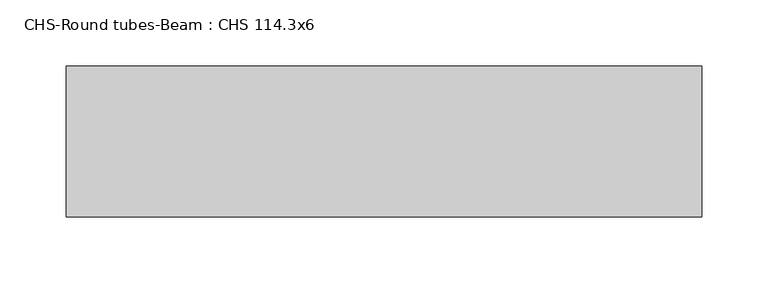
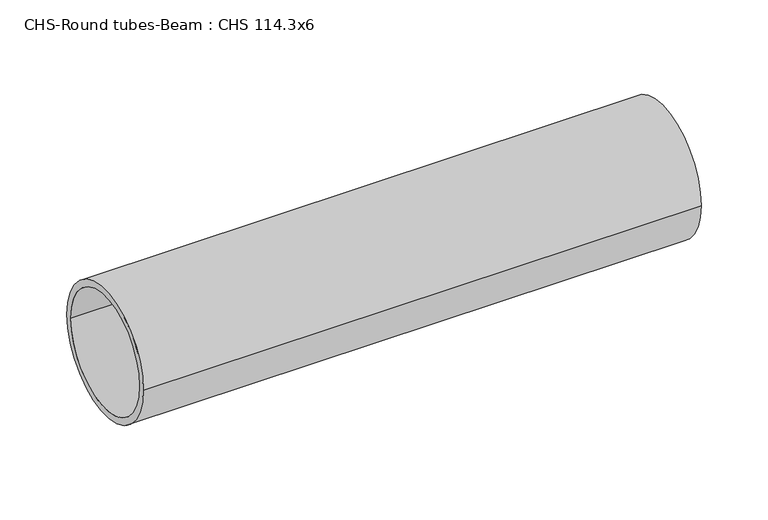
"""IFC4 building model written with IfcOpenShell, lengths in millimetres: beam geometry, CHS-Round tubes-Beam : CHS 114.3x6."""

import ifcopenshell
import ifcopenshell.guid

model = None  # the IFC model being written
_history = None  # IfcOwnerHistory: only IFC2X3 demands one
_inside = {}  # id of a spatial element -> (the spatial element, [elements in it])
_under = {}  # id of a project, library or spatial element -> (it, [spatial elements below it])
_declared = {}  # id of a project -> (the project, [libraries it declares])
_typed = {}  # id of a type object -> (the type object, [elements of that type])
_made_of = {}  # id of a material, layer set ... -> (it, [elements and type objects made of it])


def new_model(schema):
    """Start an empty IFC model of exactly this schema.

    Asked for "IFC4X3", IfcOpenShell would pick the latest addendum, in which some entities
    have other attributes; the version numbers below select the first issue.
    IFC2X3 requires an IfcOwnerHistory on every rooted entity: one is made here for all.
    """
    global model, _history
    if schema == "IFC4X3":
        model = ifcopenshell.file(schema_version=(4, 3, 0, 0))
    else:
        model = ifcopenshell.file(schema=schema)
    _inside.clear()
    _under.clear()
    _declared.clear()
    _typed.clear()
    _made_of.clear()
    _history = None
    if model.schema == "IFC2X3":
        org = make("IfcOrganization", Name="unknown")
        user = make(
            "IfcPersonAndOrganization",
            ThePerson=make("IfcPerson", FamilyName="unknown"),
            TheOrganization=org,
        )
        app = make(
            "IfcApplication",
            ApplicationDeveloper=org,
            Version="unknown",
            ApplicationFullName="unknown",
            ApplicationIdentifier="unknown",
        )
        _history = make(
            "IfcOwnerHistory",
            OwningUser=user,
            OwningApplication=app,
            ChangeAction="ADDED",
            CreationDate=0,
        )
    return model


def make(cls, **values):
    """One entity of the class cls with the attributes given. An attribute that is None is left unset."""
    return model.create_entity(
        cls, **{name: value for name, value in values.items() if value is not None}
    )


def rooted(cls, **values):
    """An entity with a GlobalId (a new one), such as an element, a storey or a relation."""
    return make(cls, GlobalId=ifcopenshell.guid.new(), OwnerHistory=_history, **values)


def si_unit(unit_type, name, prefix=None):
    """IfcSIUnit, for example si_unit("LENGTHUNIT", "METRE", prefix="MILLI")."""
    return make("IfcSIUnit", UnitType=unit_type, Prefix=prefix, Name=name)


def assignment(units):
    """IfcUnitAssignment: the units of a project."""
    return None if units is None else make("IfcUnitAssignment", Units=units)


def point(xyz):
    """IfcCartesianPoint."""
    return None if xyz is None else make("IfcCartesianPoint", Coordinates=xyz)


def direction(xyz):
    """IfcDirection."""
    return None if xyz is None else make("IfcDirection", DirectionRatios=xyz)


def frame(location, z_axis=None, x_axis=None):
    """IfcAxis2Placement3D, a coordinate frame: its origin and axes. An axis left out is left unset."""
    return make(
        "IfcAxis2Placement3D",
        Location=point(location),
        Axis=direction(z_axis),
        RefDirection=direction(x_axis),
    )


def frame_2d(location, x_axis=None):
    """IfcAxis2Placement2D, a coordinate frame in the plane: its origin and x axis."""
    return make(
        "IfcAxis2Placement2D", Location=point(location), RefDirection=direction(x_axis)
    )


def origin():
    """The frame at (0, 0, 0) with its axes left unset."""
    return frame((0.0, 0.0, 0.0))


def origin_2d():
    """The frame at (0, 0) in the plane with its x axis left unset."""
    return frame_2d((0.0, 0.0))


def place(relative_to, where):
    """IfcLocalPlacement: puts the frame where relative to a parent placement (None: the world)."""
    return make(
        "IfcLocalPlacement", PlacementRelTo=relative_to, RelativePlacement=where
    )


def context(
    kind, dimensions, precision=None, world=None, true_north=None, identifier=None
):
    """IfcGeometricRepresentationContext, for example the 3D "Model" context."""
    return make(
        "IfcGeometricRepresentationContext",
        ContextIdentifier=identifier,
        ContextType=kind,
        CoordinateSpaceDimension=dimensions,
        Precision=precision,
        WorldCoordinateSystem=world,
        TrueNorth=true_north,
    )


def project(units=None, contexts=None):
    """IfcProject with its units and contexts."""
    return rooted(
        "IfcProject",
        Name="project",
        RepresentationContexts=contexts,
        UnitsInContext=assignment(units),
    )


def spatial(cls, under=None, at=None, **own):
    """A site, building, storey or space (cls), placed at a placement, below another one or the project."""
    s = rooted(cls, ObjectPlacement=at, **own)
    if under is not None:
        _under.setdefault(under.id(), (under, []))[1].append(s)
    return s


def circle_curve(where, radius):
    """IfcCircle in the frame where."""
    return make("IfcCircle", Position=where, Radius=radius)


def trimmed(basis, trim1, trim2, sense, master):
    """IfcTrimmedCurve: the piece of a basis curve between two trims."""
    return make(
        "IfcTrimmedCurve",
        BasisCurve=basis,
        Trim1=trim1,
        Trim2=trim2,
        SenseAgreement=sense,
        MasterRepresentation=master,
    )


def segment(curve, same_sense, transition):
    """IfcCompositeCurveSegment."""
    return make(
        "IfcCompositeCurveSegment",
        Transition=transition,
        SameSense=same_sense,
        ParentCurve=curve,
    )


def composite_curve(segments, self_intersect=None):
    """IfcCompositeCurve: segments joined end to end."""
    return make("IfcCompositeCurve", Segments=segments, SelfIntersect=self_intersect)


def outline(outer, holes=None, kind="AREA"):
    """IfcArbitraryClosedProfileDef: a profile drawn as a closed curve; with holes, ...WithVoids."""
    if holes is None:
        return make("IfcArbitraryClosedProfileDef", ProfileType=kind, OuterCurve=outer)
    return make(
        "IfcArbitraryProfileDefWithVoids",
        ProfileType=kind,
        OuterCurve=outer,
        InnerCurves=holes,
    )


def extrude(swept, where, along, depth):
    """IfcExtrudedAreaSolid: the profile swept, set in the frame where, extruded along a direction by depth."""
    return make(
        "IfcExtrudedAreaSolid",
        SweptArea=swept,
        Position=where,
        ExtrudedDirection=direction(along),
        Depth=depth,
    )


def shape(context_of_items, identifier, shape_type, items):
    """IfcShapeRepresentation: the items that make up one representation, for example the "Body"."""
    return make(
        "IfcShapeRepresentation",
        ContextOfItems=context_of_items,
        RepresentationIdentifier=identifier,
        RepresentationType=shape_type,
        Items=items,
    )


def source(mapping_origin, context_of_items, identifier, shape_type, items):
    """IfcRepresentationMap: a shape defined once, which mapped items show again and again."""
    return make(
        "IfcRepresentationMap",
        MappingOrigin=mapping_origin,
        MappedRepresentation=shape(context_of_items, identifier, shape_type, items),
    )


def transform(
    local_origin,
    x_axis=None,
    y_axis=None,
    z_axis=None,
    scale=None,
    scale2=None,
    scale3=None,
    uniform=True,
):
    """IfcCartesianTransformationOperator3D, or its non-uniform kind. x_axis, y_axis, z_axis: its Axis1, 2, 3."""
    if uniform:
        return make(
            "IfcCartesianTransformationOperator3D",
            Axis1=direction(x_axis),
            Axis2=direction(y_axis),
            LocalOrigin=point(local_origin),
            Scale=scale,
            Axis3=direction(z_axis),
        )
    return make(
        "IfcCartesianTransformationOperator3DnonUniform",
        Axis1=direction(x_axis),
        Axis2=direction(y_axis),
        LocalOrigin=point(local_origin),
        Scale=scale,
        Axis3=direction(z_axis),
        Scale2=scale2,
        Scale3=scale3,
    )


def mapped(mapping_source, mapping_target):
    """IfcMappedItem: shows the shape of a source again, moved by a transform."""
    return make(
        "IfcMappedItem", MappingSource=mapping_source, MappingTarget=mapping_target
    )


def made_of(thing, what):
    """Note that an element or type object is made of a material, layer set ...; save() writes the relation."""
    if what is not None:
        _made_of.setdefault(what.id(), (what, []))[1].append(thing)
    return thing


def element(
    cls,
    number,
    at=None,
    inside=None,
    cuts=None,
    type_object=None,
    material=None,
    context=None,
    identifier="Body",
    shape_type=None,
    held_by="IfcProductDefinitionShape",
    body=None,
    shapes=None,
    **own,
):
    """One element of the class cls, such as IfcWall. Its Tag is "e" and its number.

    at: its placement. inside: the storey or other place that contains it. cuts: it is an
    opening in that element (IfcRelVoidsElement). A single representation is given by context,
    identifier, shape_type and body (its items); several are given by shapes. held_by: the class
    of the entity that holds the representations. save() writes the other relations.
    """
    e = rooted(cls, Tag="e%d" % number, ObjectPlacement=at, **own)
    if body is not None:
        shapes = [shape(context, identifier, shape_type, body)]
    if shapes is not None:
        e.Representation = make(held_by, Representations=shapes)
    if inside is not None:
        _inside.setdefault(inside.id(), (inside, []))[1].append(e)
    if cuts is not None:
        rooted(
            "IfcRelVoidsElement", RelatingBuildingElement=cuts, RelatedOpeningElement=e
        )
    if type_object is not None:
        _typed.setdefault(type_object.id(), (type_object, []))[1].append(e)
    return made_of(e, material)


def aggregate(whole, parts):
    """IfcRelAggregates: a whole, such as a stair, and the parts it consists of."""
    return rooted("IfcRelAggregates", RelatingObject=whole, RelatedObjects=parts)


def save(model, path):
    """Write the relations noted so far, then the file.

    IfcRelAggregates (storeys below a building ...), IfcRelContainedInSpatialStructure (elements
    in a storey), IfcRelDefinesByType, IfcRelAssociatesMaterial and IfcRelDeclares: one each for
    every whole, place, type object, material and project.
    """
    for whole, parts in _under.values():
        aggregate(whole, parts)
    for where, things in _inside.values():
        rooted(
            "IfcRelContainedInSpatialStructure",
            RelatedElements=things,
            RelatingStructure=where,
        )
    for kind, things in _typed.values():
        rooted("IfcRelDefinesByType", RelatedObjects=things, RelatingType=kind)
    for what, things in _made_of.values():
        rooted("IfcRelAssociatesMaterial", RelatedObjects=things, RelatingMaterial=what)
    for by, libraries in _declared.values():
        rooted("IfcRelDeclares", RelatingContext=by, RelatedDefinitions=libraries)
    model.write(path)


def chs_round_tubes_beam_chs_114_3x6_a49732ae(model_context):
    return source(origin(), model_context, "Body", "SweptSolid", [
        extrude(outline(composite_curve([segment(trimmed(circle_curve(origin_2d(), 57.15), [point((57.15, 0.0))], [point((-57.15, 0.0))], False, "CARTESIAN"), True, "CONTINUOUS"), segment(trimmed(circle_curve(origin_2d(), 57.15), [point((-57.15, 0.0))], [point((57.15, 0.0))], False, "CARTESIAN"), True, "CONTINUOUS")], self_intersect=False), holes=[composite_curve([segment(trimmed(circle_curve(origin_2d(), 51.15), [point((51.15, 0.0))], [point((-51.15, 0.0))], True, "CARTESIAN"), True, "CONTINUOUS"), segment(trimmed(circle_curve(origin_2d(), 51.15), [point((-51.15, 0.0))], [point((51.15, 0.0))], True, "CARTESIAN"), True, "CONTINUOUS")], self_intersect=False)]), frame((57.7607527, 0.0, 0.0), z_axis=(1.0, 0.0, 0.0), x_axis=(0.0, 1.0, 0.0)), (0.0, 0.0, 1.0), 481.0743835),
    ])


if __name__ == "__main__":
    model = new_model("IFC4")
    model_context = context("Model", 3, world=origin())
    ifc_project = project(units=[si_unit("LENGTHUNIT", "METRE", prefix="MILLI")], contexts=[model_context])
    site = spatial("IfcSite", under=ifc_project)
    building = spatial("IfcBuilding", under=site)
    placement = place(None, origin())
    chs_round_tubes_beam_chs_114_3x6_shape = chs_round_tubes_beam_chs_114_3x6_a49732ae(model_context)
    element("IfcBeam", 1, ObjectType="CHS-Round tubes-Beam : CHS 114.3x6", at=placement, inside=building, context=model_context, shape_type="MappedRepresentation", body=[
        mapped(chs_round_tubes_beam_chs_114_3x6_shape, transform((0.0, 0.0, 0.0), x_axis=(1.0, 0.0, 0.0), y_axis=(0.0, 1.0, 0.0), z_axis=(0.0, 0.0, 1.0))),
    ])
    save(model, "model.ifc")
